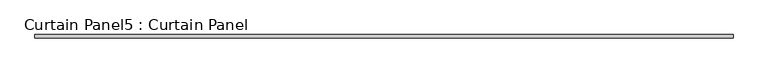
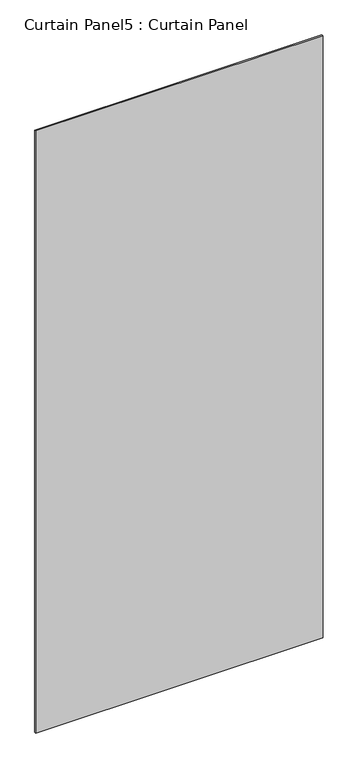
"""IFC4 building model written with IfcOpenShell, lengths in millimetres: plate geometry, Curtain Panel5 : Curtain Panel."""

from ifc_helpers import new_model, si_unit, frame, origin, place, context, project, spatial, polyline, outline, extrude, source, transform, mapped, element, save


def curtain_panel5_curtain_panel_74a99274(model_context):
    return source(origin(), model_context, "Body", "SweptSolid", [
        extrude(outline(polyline([(-36447.096946, -1985.6041852), (-37823.8302986, -1985.6041852), (-37823.8302986, -1979.2541852), (-36447.096946, -1979.2541852), (-36447.096946, -1985.6041852)])), frame((0.0, 0.0, 2685.7460791), z_axis=(0.0, 0.0, 1.0), x_axis=(1.0, 0.0, 0.0)), (0.0, 0.0, 1.0), 3048.0),
    ])


if __name__ == "__main__":
    model = new_model("IFC4")
    model_context = context("Model", 3, world=origin())
    ifc_project = project(units=[si_unit("LENGTHUNIT", "METRE", prefix="MILLI")], contexts=[model_context])
    site = spatial("IfcSite", under=ifc_project)
    building = spatial("IfcBuilding", under=site)
    placement = place(None, origin())
    curtain_panel5_curtain_panel_shape = curtain_panel5_curtain_panel_74a99274(model_context)
    element("IfcPlate", 1, ObjectType="Curtain Panel5 : Curtain Panel", at=placement, inside=building, context=model_context, shape_type="MappedRepresentation", body=[
        mapped(curtain_panel5_curtain_panel_shape, transform((0.0, 0.0, 0.0), x_axis=(1.0, 0.0, 0.0), y_axis=(0.0, 1.0, 0.0), z_axis=(0.0, 0.0, 1.0))),
    ])
    save(model, "model.ifc")
